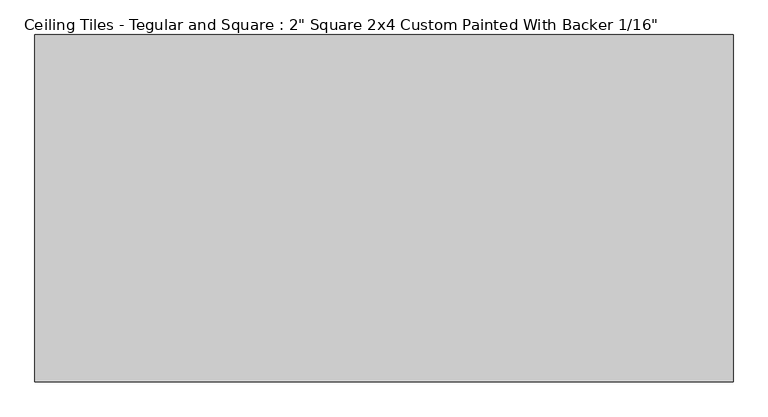
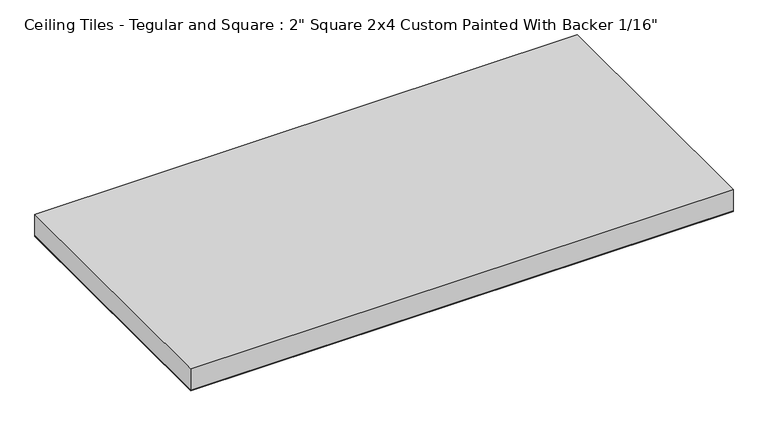
"""IFC4 building model written with IfcOpenShell, lengths in millimetres: proxy geometry."""

import ifcopenshell
import ifcopenshell.guid

model = None  # the IFC model being written
_history = None  # IfcOwnerHistory: only IFC2X3 demands one
_inside = {}  # id of a spatial element -> (the spatial element, [elements in it])
_under = {}  # id of a project, library or spatial element -> (it, [spatial elements below it])
_declared = {}  # id of a project -> (the project, [libraries it declares])
_typed = {}  # id of a type object -> (the type object, [elements of that type])
_made_of = {}  # id of a material, layer set ... -> (it, [elements and type objects made of it])


def new_model(schema):
    """Start an empty IFC model of exactly this schema.

    Asked for "IFC4X3", IfcOpenShell would pick the latest addendum, in which some entities
    have other attributes; the version numbers below select the first issue.
    IFC2X3 requires an IfcOwnerHistory on every rooted entity: one is made here for all.
    """
    global model, _history
    if schema == "IFC4X3":
        model = ifcopenshell.file(schema_version=(4, 3, 0, 0))
    else:
        model = ifcopenshell.file(schema=schema)
    _inside.clear()
    _under.clear()
    _declared.clear()
    _typed.clear()
    _made_of.clear()
    _history = None
    if model.schema == "IFC2X3":
        org = make("IfcOrganization", Name="unknown")
        user = make(
            "IfcPersonAndOrganization",
            ThePerson=make("IfcPerson", FamilyName="unknown"),
            TheOrganization=org,
        )
        app = make(
            "IfcApplication",
            ApplicationDeveloper=org,
            Version="unknown",
            ApplicationFullName="unknown",
            ApplicationIdentifier="unknown",
        )
        _history = make(
            "IfcOwnerHistory",
            OwningUser=user,
            OwningApplication=app,
            ChangeAction="ADDED",
            CreationDate=0,
        )
    return model


def make(cls, **values):
    """One entity of the class cls with the attributes given. An attribute that is None is left unset."""
    return model.create_entity(
        cls, **{name: value for name, value in values.items() if value is not None}
    )


def rooted(cls, **values):
    """An entity with a GlobalId (a new one), such as an element, a storey or a relation."""
    return make(cls, GlobalId=ifcopenshell.guid.new(), OwnerHistory=_history, **values)


def si_unit(unit_type, name, prefix=None):
    """IfcSIUnit, for example si_unit("LENGTHUNIT", "METRE", prefix="MILLI")."""
    return make("IfcSIUnit", UnitType=unit_type, Prefix=prefix, Name=name)


def assignment(units):
    """IfcUnitAssignment: the units of a project."""
    return None if units is None else make("IfcUnitAssignment", Units=units)


def point(xyz):
    """IfcCartesianPoint."""
    return None if xyz is None else make("IfcCartesianPoint", Coordinates=xyz)


def direction(xyz):
    """IfcDirection."""
    return None if xyz is None else make("IfcDirection", DirectionRatios=xyz)


def frame(location, z_axis=None, x_axis=None):
    """IfcAxis2Placement3D, a coordinate frame: its origin and axes. An axis left out is left unset."""
    return make(
        "IfcAxis2Placement3D",
        Location=point(location),
        Axis=direction(z_axis),
        RefDirection=direction(x_axis),
    )


def origin():
    """The frame at (0, 0, 0) with its axes left unset."""
    return frame((0.0, 0.0, 0.0))


def origin_with_axes():
    """The frame at (0, 0, 0) with the z axis (0, 0, 1) and the x axis (1, 0, 0) written out."""
    return frame((0.0, 0.0, 0.0), z_axis=(0.0, 0.0, 1.0), x_axis=(1.0, 0.0, 0.0))


def place(relative_to, where):
    """IfcLocalPlacement: puts the frame where relative to a parent placement (None: the world)."""
    return make(
        "IfcLocalPlacement", PlacementRelTo=relative_to, RelativePlacement=where
    )


def context(
    kind, dimensions, precision=None, world=None, true_north=None, identifier=None
):
    """IfcGeometricRepresentationContext, for example the 3D "Model" context."""
    return make(
        "IfcGeometricRepresentationContext",
        ContextIdentifier=identifier,
        ContextType=kind,
        CoordinateSpaceDimension=dimensions,
        Precision=precision,
        WorldCoordinateSystem=world,
        TrueNorth=true_north,
    )


def project(units=None, contexts=None):
    """IfcProject with its units and contexts."""
    return rooted(
        "IfcProject",
        Name="project",
        RepresentationContexts=contexts,
        UnitsInContext=assignment(units),
    )


def spatial(cls, under=None, at=None, **own):
    """A site, building, storey or space (cls), placed at a placement, below another one or the project."""
    s = rooted(cls, ObjectPlacement=at, **own)
    if under is not None:
        _under.setdefault(under.id(), (under, []))[1].append(s)
    return s


def polyline(points):
    """IfcPolyline through the points."""
    return make("IfcPolyline", Points=[point(p) for p in points])


def outline(outer, holes=None, kind="AREA"):
    """IfcArbitraryClosedProfileDef: a profile drawn as a closed curve; with holes, ...WithVoids."""
    if holes is None:
        return make("IfcArbitraryClosedProfileDef", ProfileType=kind, OuterCurve=outer)
    return make(
        "IfcArbitraryProfileDefWithVoids",
        ProfileType=kind,
        OuterCurve=outer,
        InnerCurves=holes,
    )


def extrude(swept, where, along, depth):
    """IfcExtrudedAreaSolid: the profile swept, set in the frame where, extruded along a direction by depth."""
    return make(
        "IfcExtrudedAreaSolid",
        SweptArea=swept,
        Position=where,
        ExtrudedDirection=direction(along),
        Depth=depth,
    )


def shape(context_of_items, identifier, shape_type, items):
    """IfcShapeRepresentation: the items that make up one representation, for example the "Body"."""
    return make(
        "IfcShapeRepresentation",
        ContextOfItems=context_of_items,
        RepresentationIdentifier=identifier,
        RepresentationType=shape_type,
        Items=items,
    )


def source(mapping_origin, context_of_items, identifier, shape_type, items):
    """IfcRepresentationMap: a shape defined once, which mapped items show again and again."""
    return make(
        "IfcRepresentationMap",
        MappingOrigin=mapping_origin,
        MappedRepresentation=shape(context_of_items, identifier, shape_type, items),
    )


def transform(
    local_origin,
    x_axis=None,
    y_axis=None,
    z_axis=None,
    scale=None,
    scale2=None,
    scale3=None,
    uniform=True,
):
    """IfcCartesianTransformationOperator3D, or its non-uniform kind. x_axis, y_axis, z_axis: its Axis1, 2, 3."""
    if uniform:
        return make(
            "IfcCartesianTransformationOperator3D",
            Axis1=direction(x_axis),
            Axis2=direction(y_axis),
            LocalOrigin=point(local_origin),
            Scale=scale,
            Axis3=direction(z_axis),
        )
    return make(
        "IfcCartesianTransformationOperator3DnonUniform",
        Axis1=direction(x_axis),
        Axis2=direction(y_axis),
        LocalOrigin=point(local_origin),
        Scale=scale,
        Axis3=direction(z_axis),
        Scale2=scale2,
        Scale3=scale3,
    )


def mapped(mapping_source, mapping_target):
    """IfcMappedItem: shows the shape of a source again, moved by a transform."""
    return make(
        "IfcMappedItem", MappingSource=mapping_source, MappingTarget=mapping_target
    )


def made_of(thing, what):
    """Note that an element or type object is made of a material, layer set ...; save() writes the relation."""
    if what is not None:
        _made_of.setdefault(what.id(), (what, []))[1].append(thing)
    return thing


def element(
    cls,
    number,
    at=None,
    inside=None,
    cuts=None,
    type_object=None,
    material=None,
    context=None,
    identifier="Body",
    shape_type=None,
    held_by="IfcProductDefinitionShape",
    body=None,
    shapes=None,
    **own,
):
    """One element of the class cls, such as IfcWall. Its Tag is "e" and its number.

    at: its placement. inside: the storey or other place that contains it. cuts: it is an
    opening in that element (IfcRelVoidsElement). A single representation is given by context,
    identifier, shape_type and body (its items); several are given by shapes. held_by: the class
    of the entity that holds the representations. save() writes the other relations.
    """
    e = rooted(cls, Tag="e%d" % number, ObjectPlacement=at, **own)
    if body is not None:
        shapes = [shape(context, identifier, shape_type, body)]
    if shapes is not None:
        e.Representation = make(held_by, Representations=shapes)
    if inside is not None:
        _inside.setdefault(inside.id(), (inside, []))[1].append(e)
    if cuts is not None:
        rooted(
            "IfcRelVoidsElement", RelatingBuildingElement=cuts, RelatedOpeningElement=e
        )
    if type_object is not None:
        _typed.setdefault(type_object.id(), (type_object, []))[1].append(e)
    return made_of(e, material)


def aggregate(whole, parts):
    """IfcRelAggregates: a whole, such as a stair, and the parts it consists of."""
    return rooted("IfcRelAggregates", RelatingObject=whole, RelatedObjects=parts)


def save(model, path):
    """Write the relations noted so far, then the file.

    IfcRelAggregates (storeys below a building ...), IfcRelContainedInSpatialStructure (elements
    in a storey), IfcRelDefinesByType, IfcRelAssociatesMaterial and IfcRelDeclares: one each for
    every whole, place, type object, material and project.
    """
    for whole, parts in _under.values():
        aggregate(whole, parts)
    for where, things in _inside.values():
        rooted(
            "IfcRelContainedInSpatialStructure",
            RelatedElements=things,
            RelatingStructure=where,
        )
    for kind, things in _typed.values():
        rooted("IfcRelDefinesByType", RelatedObjects=things, RelatingType=kind)
    for what, things in _made_of.values():
        rooted("IfcRelAssociatesMaterial", RelatedObjects=things, RelatingMaterial=what)
    for by, libraries in _declared.values():
        rooted("IfcRelDeclares", RelatingContext=by, RelatedDefinitions=libraries)
    model.write(path)


def proxy_53175e6d(model_context):
    return source(origin(), model_context, "Body", "SweptSolid", [
        extrude(outline(polyline([(606.425, 301.625), (606.425, -301.625), (-606.425, -301.625), (-606.425, 301.625), (606.425, 301.625)])), origin_with_axes(), (0.0, 0.0, 1.0), 1.5875),
        extrude(outline(polyline([(-606.425, 301.625), (606.425, 301.625), (606.425, -301.625), (-606.425, -301.625), (-606.425, 301.625)])), frame((0.0, 0.0, 1.5875), z_axis=(0.0, 0.0, 1.0), x_axis=(1.0, 0.0, 0.0)), (0.0, 0.0, 1.0), 50.8),
    ])


if __name__ == "__main__":
    model = new_model("IFC4")
    model_context = context("Model", 3, world=origin())
    ifc_project = project(units=[si_unit("LENGTHUNIT", "METRE", prefix="MILLI")], contexts=[model_context])
    site = spatial("IfcSite", under=ifc_project)
    building = spatial("IfcBuilding", under=site)
    placement = place(None, origin())
    proxy_shape = proxy_53175e6d(model_context)
    element("IfcBuildingElementProxy", 1, Name="Ceiling Tiles - Tegular and Square : 2\" Square 2x4 Custom Painted With Backer 1/16\"", ObjectType="Ceiling Tiles - Tegular and Square : 2\" Square 2x4 Custom Painted With Backer 1/16\"", at=placement, inside=building, context=model_context, shape_type="MappedRepresentation", body=[
        mapped(proxy_shape, transform((0.0, 0.0, 0.0), x_axis=(1.0, 0.0, 0.0), y_axis=(0.0, 1.0, 0.0), z_axis=(0.0, 0.0, 1.0))),
    ])
    save(model, "model.ifc")
